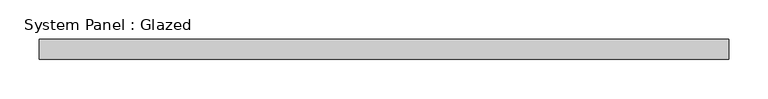
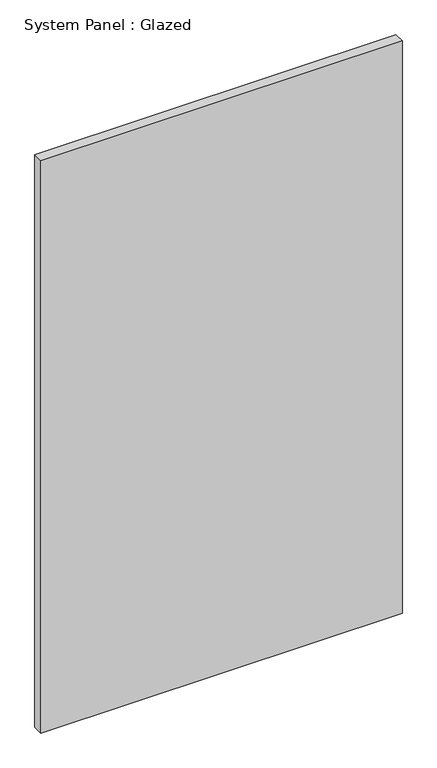
"""IFC4 building model written with IfcOpenShell, lengths in millimetres: plate geometry, System Panel : Glazed."""

from ifc_helpers import new_model, si_unit, origin, origin_with_axes, place, context, project, spatial, polyline, outline, extrude, source, transform, mapped, element, save


def system_panel_glazed_d81a95c4(model_context):
    return source(origin(), model_context, "Body", "SweptSolid", [
        extrude(outline(polyline([(438.15, -44.45), (-438.15, -44.45), (-438.15, -19.05), (438.15, -19.05), (438.15, -44.45)])), origin_with_axes(), (0.0, 0.0, 1.0), 1466.85),
    ])


if __name__ == "__main__":
    model = new_model("IFC4")
    model_context = context("Model", 3, world=origin())
    ifc_project = project(units=[si_unit("LENGTHUNIT", "METRE", prefix="MILLI")], contexts=[model_context])
    site = spatial("IfcSite", under=ifc_project)
    building = spatial("IfcBuilding", under=site)
    placement = place(None, origin())
    system_panel_glazed_shape = system_panel_glazed_d81a95c4(model_context)
    element("IfcPlate", 1, ObjectType="System Panel : Glazed", at=placement, inside=building, context=model_context, shape_type="MappedRepresentation", body=[
        mapped(system_panel_glazed_shape, transform((0.0, 0.0, 0.0), x_axis=(1.0, 0.0, 0.0), y_axis=(0.0, 1.0, 0.0), z_axis=(0.0, 0.0, 1.0))),
    ])
    save(model, "model.ifc")
